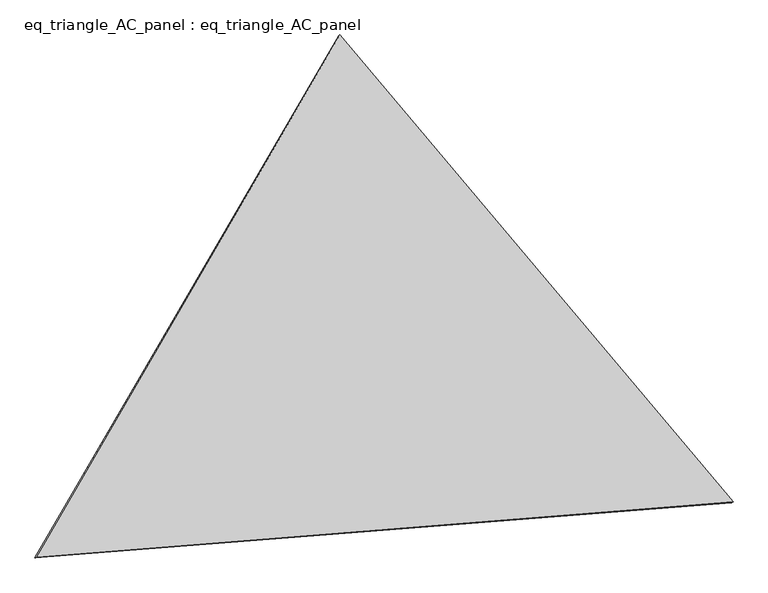
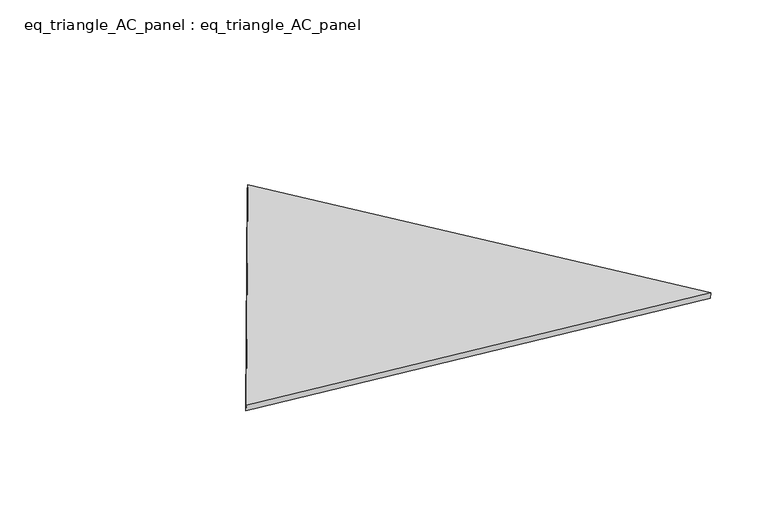
"""IFC4 building model written with IfcOpenShell, lengths in millimetres: proxy geometry, eq_triangle_AC_panel : eq_triangle_AC_panel."""

import ifcopenshell
import ifcopenshell.guid

model = None  # the IFC model being written
_history = None  # IfcOwnerHistory: only IFC2X3 demands one
_inside = {}  # id of a spatial element -> (the spatial element, [elements in it])
_under = {}  # id of a project, library or spatial element -> (it, [spatial elements below it])
_declared = {}  # id of a project -> (the project, [libraries it declares])
_typed = {}  # id of a type object -> (the type object, [elements of that type])
_made_of = {}  # id of a material, layer set ... -> (it, [elements and type objects made of it])


def new_model(schema):
    """Start an empty IFC model of exactly this schema.

    Asked for "IFC4X3", IfcOpenShell would pick the latest addendum, in which some entities
    have other attributes; the version numbers below select the first issue.
    IFC2X3 requires an IfcOwnerHistory on every rooted entity: one is made here for all.
    """
    global model, _history
    if schema == "IFC4X3":
        model = ifcopenshell.file(schema_version=(4, 3, 0, 0))
    else:
        model = ifcopenshell.file(schema=schema)
    _inside.clear()
    _under.clear()
    _declared.clear()
    _typed.clear()
    _made_of.clear()
    _history = None
    if model.schema == "IFC2X3":
        org = make("IfcOrganization", Name="unknown")
        user = make(
            "IfcPersonAndOrganization",
            ThePerson=make("IfcPerson", FamilyName="unknown"),
            TheOrganization=org,
        )
        app = make(
            "IfcApplication",
            ApplicationDeveloper=org,
            Version="unknown",
            ApplicationFullName="unknown",
            ApplicationIdentifier="unknown",
        )
        _history = make(
            "IfcOwnerHistory",
            OwningUser=user,
            OwningApplication=app,
            ChangeAction="ADDED",
            CreationDate=0,
        )
    return model


def make(cls, **values):
    """One entity of the class cls with the attributes given. An attribute that is None is left unset."""
    return model.create_entity(
        cls, **{name: value for name, value in values.items() if value is not None}
    )


def rooted(cls, **values):
    """An entity with a GlobalId (a new one), such as an element, a storey or a relation."""
    return make(cls, GlobalId=ifcopenshell.guid.new(), OwnerHistory=_history, **values)


def si_unit(unit_type, name, prefix=None):
    """IfcSIUnit, for example si_unit("LENGTHUNIT", "METRE", prefix="MILLI")."""
    return make("IfcSIUnit", UnitType=unit_type, Prefix=prefix, Name=name)


def assignment(units):
    """IfcUnitAssignment: the units of a project."""
    return None if units is None else make("IfcUnitAssignment", Units=units)


def point(xyz):
    """IfcCartesianPoint."""
    return None if xyz is None else make("IfcCartesianPoint", Coordinates=xyz)


def direction(xyz):
    """IfcDirection."""
    return None if xyz is None else make("IfcDirection", DirectionRatios=xyz)


def frame(location, z_axis=None, x_axis=None):
    """IfcAxis2Placement3D, a coordinate frame: its origin and axes. An axis left out is left unset."""
    return make(
        "IfcAxis2Placement3D",
        Location=point(location),
        Axis=direction(z_axis),
        RefDirection=direction(x_axis),
    )


def origin():
    """The frame at (0, 0, 0) with its axes left unset."""
    return frame((0.0, 0.0, 0.0))


def place(relative_to, where):
    """IfcLocalPlacement: puts the frame where relative to a parent placement (None: the world)."""
    return make(
        "IfcLocalPlacement", PlacementRelTo=relative_to, RelativePlacement=where
    )


def context(
    kind, dimensions, precision=None, world=None, true_north=None, identifier=None
):
    """IfcGeometricRepresentationContext, for example the 3D "Model" context."""
    return make(
        "IfcGeometricRepresentationContext",
        ContextIdentifier=identifier,
        ContextType=kind,
        CoordinateSpaceDimension=dimensions,
        Precision=precision,
        WorldCoordinateSystem=world,
        TrueNorth=true_north,
    )


def project(units=None, contexts=None):
    """IfcProject with its units and contexts."""
    return rooted(
        "IfcProject",
        Name="project",
        RepresentationContexts=contexts,
        UnitsInContext=assignment(units),
    )


def spatial(cls, under=None, at=None, **own):
    """A site, building, storey or space (cls), placed at a placement, below another one or the project."""
    s = rooted(cls, ObjectPlacement=at, **own)
    if under is not None:
        _under.setdefault(under.id(), (under, []))[1].append(s)
    return s


def polyline(points):
    """IfcPolyline through the points."""
    return make("IfcPolyline", Points=[point(p) for p in points])


def outline(outer, holes=None, kind="AREA"):
    """IfcArbitraryClosedProfileDef: a profile drawn as a closed curve; with holes, ...WithVoids."""
    if holes is None:
        return make("IfcArbitraryClosedProfileDef", ProfileType=kind, OuterCurve=outer)
    return make(
        "IfcArbitraryProfileDefWithVoids",
        ProfileType=kind,
        OuterCurve=outer,
        InnerCurves=holes,
    )


def extrude(swept, where, along, depth):
    """IfcExtrudedAreaSolid: the profile swept, set in the frame where, extruded along a direction by depth."""
    return make(
        "IfcExtrudedAreaSolid",
        SweptArea=swept,
        Position=where,
        ExtrudedDirection=direction(along),
        Depth=depth,
    )


def shape(context_of_items, identifier, shape_type, items):
    """IfcShapeRepresentation: the items that make up one representation, for example the "Body"."""
    return make(
        "IfcShapeRepresentation",
        ContextOfItems=context_of_items,
        RepresentationIdentifier=identifier,
        RepresentationType=shape_type,
        Items=items,
    )


def source(mapping_origin, context_of_items, identifier, shape_type, items):
    """IfcRepresentationMap: a shape defined once, which mapped items show again and again."""
    return make(
        "IfcRepresentationMap",
        MappingOrigin=mapping_origin,
        MappedRepresentation=shape(context_of_items, identifier, shape_type, items),
    )


def transform(
    local_origin,
    x_axis=None,
    y_axis=None,
    z_axis=None,
    scale=None,
    scale2=None,
    scale3=None,
    uniform=True,
):
    """IfcCartesianTransformationOperator3D, or its non-uniform kind. x_axis, y_axis, z_axis: its Axis1, 2, 3."""
    if uniform:
        return make(
            "IfcCartesianTransformationOperator3D",
            Axis1=direction(x_axis),
            Axis2=direction(y_axis),
            LocalOrigin=point(local_origin),
            Scale=scale,
            Axis3=direction(z_axis),
        )
    return make(
        "IfcCartesianTransformationOperator3DnonUniform",
        Axis1=direction(x_axis),
        Axis2=direction(y_axis),
        LocalOrigin=point(local_origin),
        Scale=scale,
        Axis3=direction(z_axis),
        Scale2=scale2,
        Scale3=scale3,
    )


def mapped(mapping_source, mapping_target):
    """IfcMappedItem: shows the shape of a source again, moved by a transform."""
    return make(
        "IfcMappedItem", MappingSource=mapping_source, MappingTarget=mapping_target
    )


def made_of(thing, what):
    """Note that an element or type object is made of a material, layer set ...; save() writes the relation."""
    if what is not None:
        _made_of.setdefault(what.id(), (what, []))[1].append(thing)
    return thing


def element(
    cls,
    number,
    at=None,
    inside=None,
    cuts=None,
    type_object=None,
    material=None,
    context=None,
    identifier="Body",
    shape_type=None,
    held_by="IfcProductDefinitionShape",
    body=None,
    shapes=None,
    **own,
):
    """One element of the class cls, such as IfcWall. Its Tag is "e" and its number.

    at: its placement. inside: the storey or other place that contains it. cuts: it is an
    opening in that element (IfcRelVoidsElement). A single representation is given by context,
    identifier, shape_type and body (its items); several are given by shapes. held_by: the class
    of the entity that holds the representations. save() writes the other relations.
    """
    e = rooted(cls, Tag="e%d" % number, ObjectPlacement=at, **own)
    if body is not None:
        shapes = [shape(context, identifier, shape_type, body)]
    if shapes is not None:
        e.Representation = make(held_by, Representations=shapes)
    if inside is not None:
        _inside.setdefault(inside.id(), (inside, []))[1].append(e)
    if cuts is not None:
        rooted(
            "IfcRelVoidsElement", RelatingBuildingElement=cuts, RelatedOpeningElement=e
        )
    if type_object is not None:
        _typed.setdefault(type_object.id(), (type_object, []))[1].append(e)
    return made_of(e, material)


def aggregate(whole, parts):
    """IfcRelAggregates: a whole, such as a stair, and the parts it consists of."""
    return rooted("IfcRelAggregates", RelatingObject=whole, RelatedObjects=parts)


def save(model, path):
    """Write the relations noted so far, then the file.

    IfcRelAggregates (storeys below a building ...), IfcRelContainedInSpatialStructure (elements
    in a storey), IfcRelDefinesByType, IfcRelAssociatesMaterial and IfcRelDeclares: one each for
    every whole, place, type object, material and project.
    """
    for whole, parts in _under.values():
        aggregate(whole, parts)
    for where, things in _inside.values():
        rooted(
            "IfcRelContainedInSpatialStructure",
            RelatedElements=things,
            RelatingStructure=where,
        )
    for kind, things in _typed.values():
        rooted("IfcRelDefinesByType", RelatedObjects=things, RelatingType=kind)
    for what, things in _made_of.values():
        rooted("IfcRelAssociatesMaterial", RelatedObjects=things, RelatingMaterial=what)
    for by, libraries in _declared.values():
        rooted("IfcRelDeclares", RelatingContext=by, RelatedDefinitions=libraries)
    model.write(path)


def eq_triangle_ac_panel_eq_triangle_ac_panel_8f6290d2(model_context):
    return source(origin(), model_context, "Body", "SweptSolid", [
        extrude(outline(polyline([(-1545.5252187, 1096.9501239), (1940.5810827, 1096.9501239), (-395.055864, -2193.9002478), (-1545.5252187, 1096.9501239)])), frame((-6.3631761, 524.2531996, 46.6143561), z_axis=(0.14526328518058199, 0.08386570281802136, 0.9858321976225896), x_axis=(0.6433905056167866, -0.7649607109844748, -0.02972823459781495)), (0.0, 0.0, 1.0), 43.8306294),
    ])


if __name__ == "__main__":
    model = new_model("IFC4")
    model_context = context("Model", 3, world=origin())
    ifc_project = project(units=[si_unit("LENGTHUNIT", "METRE", prefix="MILLI")], contexts=[model_context])
    site = spatial("IfcSite", under=ifc_project)
    building = spatial("IfcBuilding", under=site)
    placement = place(None, origin())
    eq_triangle_ac_panel_eq_triangle_ac_panel_shape = eq_triangle_ac_panel_eq_triangle_ac_panel_8f6290d2(model_context)
    element("IfcBuildingElementProxy", 1, Name="eq_triangle_AC_panel : eq_triangle_AC_panel", ObjectType="eq_triangle_AC_panel : eq_triangle_AC_panel", at=placement, inside=building, context=model_context, shape_type="MappedRepresentation", body=[
        mapped(eq_triangle_ac_panel_eq_triangle_ac_panel_shape, transform((0.0, 0.0, 0.0), x_axis=(1.0, 0.0, 0.0), y_axis=(0.0, 1.0, 0.0), z_axis=(0.0, 0.0, 1.0))),
    ])
    save(model, "model.ifc")
